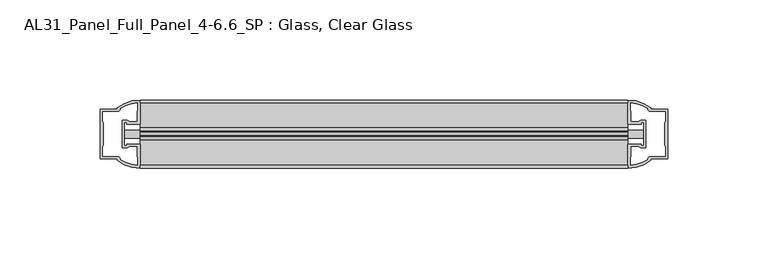
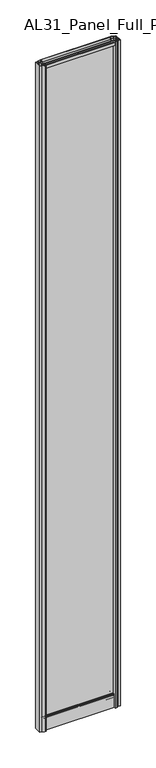
"""IFC4 building model written with IfcOpenShell, lengths in millimetres: plate geometry, AL31_Panel_Full_Panel_4-6.6_SP : Glass, Clear Glass."""

from ifc_helpers import new_model, si_unit, point, frame, frame_2d, origin, origin_with_axes, place, context, project, spatial, polyline, circle_curve, trimmed, segment, composite_curve, outline, extrude, source, transform, mapped, element, save


def al31_panel_full_panel_4_6_6_sp_glass_clear_glass_d49e72f5(model_context):
    return source(origin(), model_context, "Body", "SweptSolid", [
        extrude(outline(composite_curve([segment(polyline([(-1.4, 2468.8980762), (-0.85, 2467.9454483)]), True, "CONTINUOUS"), segment(trimmed(circle_curve(frame_2d((0.1, 2466.3)), 1.9), [point((-0.85, 2467.9454483))], [point((1.05, 2467.9454483))], True, "CARTESIAN"), True, "CONTINUOUS"), segment(polyline([(1.05, 2467.9454483), (1.6, 2468.8980762)]), True, "CONTINUOUS"), segment(trimmed(circle_curve(frame_2d((0.1, 2466.3)), 3.0), [point((1.6, 2468.8980762))], [point((2.5718414, 2464.6))], False, "CARTESIAN"), True, "CONTINUOUS"), segment(polyline([(2.5718414, 2464.6), (15.7, 2464.6), (15.7, 2474.0), (17.0, 2474.0), (17.0, 2463.5), (6.7024688, 2463.5), (6.7024688, 2462.7), (6.1968782, 2460.7785039), (6.1968782, 2456.1), (5.0, 2456.1), (5.0, 2461.4339746), (5.5, 2462.3), (5.5, 2463.5), (-5.5, 2463.5), (-5.5, 2462.3), (-5.0, 2461.4339746), (-5.0, 2456.1), (-6.1968782, 2456.1), (-6.1968782, 2460.7785039), (-6.7024688, 2462.7), (-6.7024688, 2463.5), (-17.0, 2463.5), (-17.0, 2474.0), (-15.7, 2474.0), (-15.7, 2464.6), (-2.3718414, 2464.6)]), True, "CONTINUOUS"), segment(trimmed(circle_curve(frame_2d((0.1, 2466.3)), 3.0), [point((-2.3718414, 2464.6))], [point((-1.4, 2468.8980762))], False, "CARTESIAN"), True, "CONTINUOUS")], self_intersect=False)), frame((-121.9594474, 0.0, 0.0), z_axis=(1.0, 0.0, 0.0), x_axis=(0.0, 1.0, 0.0)), (0.0, 0.0, 1.0), 243.9188947),
        extrude(outline(composite_curve([segment(polyline([(-129.8008687, -5.9), (-128.6008687, -5.9), (-128.6008687, -5.0), (-121.9594474, -5.0), (-121.9594474, -17.0001453)]), True, "CONTINUOUS"), segment(trimmed(circle_curve(frame_2d((-121.5947958, 2.9965302)), 20.0), [point((-121.9594474, -17.0001453))], [point((-133.3152826, -13.2093388))], False, "CARTESIAN"), True, "CONTINUOUS"), segment(polyline([(-133.3152826, -13.2093388), (-133.3152826, -12.3279343), (-141.9594474, -12.3279343), (-141.9594474, 12.3720657), (-133.3152826, 12.3720657), (-133.3152826, 13.2095249)]), True, "CONTINUOUS"), segment(trimmed(circle_curve(frame_2d((-121.5947958, -2.9963441)), 20.0), [point((-133.3152826, 13.2095249))], [point((-121.9594474, 17.0003314))], False, "CARTESIAN"), True, "CONTINUOUS"), segment(polyline([(-121.9594474, 17.0003314), (-121.9594474, 5.0), (-128.6008687, 5.0), (-128.6008687, 5.9), (-129.8008687, 5.9), (-129.8008687, -5.9)]), True, "CONTINUOUS")], self_intersect=False), holes=[composite_curve([segment(trimmed(circle_curve(frame_2d((-128.8008687, 5.7)), 1.5), [point((-128.8008687, 7.2))], [point((-127.4456144, 6.3428731))], False, "CARTESIAN"), True, "CONTINUOUS"), segment(polyline([(-127.4456144, 6.3428731), (-123.7008687, 6.3428731), (-123.7008687, 10.939223), (-123.2615289, 11.9998832), (-123.2615289, 15.6499817)]), True, "CONTINUOUS"), segment(trimmed(circle_curve(frame_2d((-121.5947958, -2.9755921)), 18.7), [point((-123.2615289, 15.6499817))], [point((-131.6015735, 12.8216987))], True, "CARTESIAN"), True, "CONTINUOUS"), segment(trimmed(circle_curve(frame_2d((-133.4008687, 12.8720657)), 1.8), [point((-131.6015735, 12.8216987))], [point((-133.4008687, 11.0720657))], False, "CARTESIAN"), True, "CONTINUOUS"), segment(polyline([(-133.4008687, 11.0720657), (-140.54229, 11.0720657), (-140.54229, 6.5019606), (-140.1008687, 5.439223), (-140.1008687, -5.3950916), (-140.6008687, -6.3879987), (-140.6008687, -11.0279343), (-133.4008687, -11.0279343)]), True, "CONTINUOUS"), segment(trimmed(circle_curve(frame_2d((-133.4008687, -12.8279343)), 1.8), [point((-133.4008687, -11.0279343))], [point((-131.6015735, -12.7775673))], False, "CARTESIAN"), True, "CONTINUOUS"), segment(trimmed(circle_curve(frame_2d((-121.5947958, 3.0197235)), 18.7), [point((-131.6015735, -12.7775673))], [point((-123.2615289, -15.6058503))], True, "CARTESIAN"), True, "CONTINUOUS"), segment(polyline([(-123.2615289, -15.6058503), (-123.2615289, -11.9557518), (-123.7008687, -10.8950916), (-123.7008687, -6.2991308), (-127.425717, -6.2991308)]), True, "CONTINUOUS"), segment(trimmed(circle_curve(frame_2d((-128.8008687, -5.7)), 1.5), [point((-127.425717, -6.2991308))], [point((-128.8008687, -7.2))], False, "CARTESIAN"), True, "CONTINUOUS"), segment(polyline([(-128.8008687, -7.2), (-131.1008687, -7.2), (-131.1008687, 7.2), (-128.8008687, 7.2)]), True, "CONTINUOUS")], self_intersect=False)]), origin_with_axes(), (0.0, 0.0, 1.0), 2474.0),
        extrude(outline(composite_curve([segment(polyline([(129.8008687, 5.9), (128.6008687, 5.9), (128.6008687, 5.0), (121.9594474, 5.0), (121.9594474, 17.0001453)]), True, "CONTINUOUS"), segment(trimmed(circle_curve(frame_2d((121.5947958, -2.9965302)), 20.0), [point((121.9594474, 17.0001453))], [point((133.3152826, 13.2093388))], False, "CARTESIAN"), True, "CONTINUOUS"), segment(polyline([(133.3152826, 13.2093388), (133.3152826, 12.3279343), (141.9594474, 12.3279343), (141.9594474, -12.3720657), (133.3152826, -12.3720657), (133.3152826, -13.2095249)]), True, "CONTINUOUS"), segment(trimmed(circle_curve(frame_2d((121.5947958, 2.9963441)), 20.0), [point((133.3152826, -13.2095249))], [point((121.9594474, -17.0003314))], False, "CARTESIAN"), True, "CONTINUOUS"), segment(polyline([(121.9594474, -17.0003314), (121.9594474, -5.0), (128.6008687, -5.0), (128.6008687, -5.9), (129.8008687, -5.9), (129.8008687, 5.9)]), True, "CONTINUOUS")], self_intersect=False), holes=[composite_curve([segment(trimmed(circle_curve(frame_2d((128.8008687, -5.7)), 1.5), [point((128.8008687, -7.2))], [point((127.4456144, -6.3428731))], False, "CARTESIAN"), True, "CONTINUOUS"), segment(polyline([(127.4456144, -6.3428731), (123.7008687, -6.3428731), (123.7008687, -10.939223), (123.2615289, -11.9998832), (123.2615289, -15.6499817)]), True, "CONTINUOUS"), segment(trimmed(circle_curve(frame_2d((121.5947958, 2.9755921)), 18.7), [point((123.2615289, -15.6499817))], [point((131.6015735, -12.8216987))], True, "CARTESIAN"), True, "CONTINUOUS"), segment(trimmed(circle_curve(frame_2d((133.4008687, -12.8720657)), 1.8), [point((131.6015735, -12.8216987))], [point((133.4008687, -11.0720657))], False, "CARTESIAN"), True, "CONTINUOUS"), segment(polyline([(133.4008687, -11.0720657), (140.54229, -11.0720657), (140.54229, -6.5019606), (140.1008687, -5.439223), (140.1008687, 5.3950916), (140.6008687, 6.3879987), (140.6008687, 11.0279343), (133.4008687, 11.0279343)]), True, "CONTINUOUS"), segment(trimmed(circle_curve(frame_2d((133.4008687, 12.8279343)), 1.8), [point((133.4008687, 11.0279343))], [point((131.6015735, 12.7775673))], False, "CARTESIAN"), True, "CONTINUOUS"), segment(trimmed(circle_curve(frame_2d((121.5947958, -3.0197235)), 18.7), [point((131.6015735, 12.7775673))], [point((123.2615289, 15.6058503))], True, "CARTESIAN"), True, "CONTINUOUS"), segment(polyline([(123.2615289, 15.6058503), (123.2615289, 11.9557518), (123.7008687, 10.8950916), (123.7008687, 6.2991308), (127.425717, 6.2991308)]), True, "CONTINUOUS"), segment(trimmed(circle_curve(frame_2d((128.8008687, 5.7)), 1.5), [point((127.425717, 6.2991308))], [point((128.8008687, 7.2))], False, "CARTESIAN"), True, "CONTINUOUS"), segment(polyline([(128.8008687, 7.2), (131.1008687, 7.2), (131.1008687, -7.2), (128.8008687, -7.2)]), True, "CONTINUOUS")], self_intersect=False)]), origin_with_axes(), (0.0, 0.0, 1.0), 2474.0),
        extrude(outline(composite_curve([segment(trimmed(circle_curve(frame_2d((-8.4, 34.8)), 1.0), [point((-8.4, 35.8))], [point((-9.4, 34.8))], True, "CARTESIAN"), True, "CONTINUOUS"), segment(polyline([(-9.4, 34.8), (-9.4, 33.5), (-5.0000303, 33.5), (-5.0000303, 32.3), (-9.4, 32.3), (-9.4, 0.0), (-10.6, 0.0), (-10.6, 47.3)]), True, "CONTINUOUS"), segment(trimmed(circle_curve(frame_2d((-8.6, 47.3)), 2.0), [point((-10.6, 47.3))], [point((-8.6, 49.3))], False, "CARTESIAN"), True, "CONTINUOUS"), segment(polyline([(-8.6, 49.3), (-5.0, 49.3), (-5.0, 41.9), (5.0, 41.9), (5.0, 49.3), (8.6, 49.3)]), True, "CONTINUOUS"), segment(trimmed(circle_curve(frame_2d((8.6, 47.3)), 2.0), [point((8.6, 49.3))], [point((10.6, 47.3))], False, "CARTESIAN"), True, "CONTINUOUS"), segment(polyline([(10.6, 47.3), (10.6, 0.0), (9.4, 0.0), (9.4, 32.3), (4.9999697, 32.3), (4.9999697, 33.5), (9.4, 33.5), (9.4, 34.8)]), True, "CONTINUOUS"), segment(trimmed(circle_curve(frame_2d((8.4, 34.8)), 1.0), [point((9.4, 34.8))], [point((8.4, 35.8))], True, "CARTESIAN"), True, "CONTINUOUS"), segment(polyline([(8.4, 35.8), (-8.4, 35.8)]), True, "CONTINUOUS")], self_intersect=False), holes=[composite_curve([segment(trimmed(circle_curve(frame_2d((5.5024688, 41.8)), 1.0), [point((6.5024688, 41.8))], [point((5.5024688, 40.8))], False, "CARTESIAN"), True, "CONTINUOUS"), segment(polyline([(5.5024688, 40.8), (2.8008965, 40.8), (2.8008965, 39.7274194), (1.8370508, 39.7274194)]), True, "CONTINUOUS"), segment(trimmed(circle_curve(frame_2d((0.0, 38.7)), 2.1048387), [point((1.8370508, 39.7274194))], [point((-1.8370508, 39.7274194))], True, "CARTESIAN"), True, "CONTINUOUS"), segment(polyline([(-1.8370508, 39.7274194), (-2.8008965, 39.7274194), (-2.8008965, 40.8), (-5.5024688, 40.8)]), True, "CONTINUOUS"), segment(trimmed(circle_curve(frame_2d((-5.5024688, 41.8)), 1.0), [point((-5.5024688, 40.8))], [point((-6.5024688, 41.8))], False, "CARTESIAN"), True, "CONTINUOUS"), segment(polyline([(-6.5024688, 41.8), (-6.5024688, 42.7)]), True, "CONTINUOUS"), segment(trimmed(circle_curve(frame_2d((-5.3024688, 42.7)), 1.2), [point((-6.5024688, 42.7))], [point((-6.1198184, 43.5786009))], False, "CARTESIAN"), True, "CONTINUOUS"), segment(polyline([(-6.1198184, 43.5786009), (-6.1198184, 48.2), (-8.4, 48.2)]), True, "CONTINUOUS"), segment(trimmed(circle_curve(frame_2d((-8.4, 47.2)), 1.0), [point((-8.4, 48.2))], [point((-9.4, 47.2))], True, "CARTESIAN"), True, "CONTINUOUS"), segment(polyline([(-9.4, 47.2), (-9.4, 37.04), (-2.8008965, 37.04), (-2.8008965, 38.0725806), (-1.8370508, 38.0725806)]), True, "CONTINUOUS"), segment(trimmed(circle_curve(frame_2d((0.0, 39.1)), 2.1048387), [point((-1.8370508, 38.0725806))], [point((1.8370508, 38.0725806))], True, "CARTESIAN"), True, "CONTINUOUS"), segment(polyline([(1.8370508, 38.0725806), (2.8008965, 38.0725806), (2.8008965, 37.04), (9.4, 37.04), (9.4, 47.2)]), True, "CONTINUOUS"), segment(trimmed(circle_curve(frame_2d((8.4, 47.2)), 1.0), [point((9.4, 47.2))], [point((8.4, 48.2))], True, "CARTESIAN"), True, "CONTINUOUS"), segment(polyline([(8.4, 48.2), (6.1198184, 48.2), (6.1198184, 43.7786009)]), True, "CONTINUOUS"), segment(trimmed(circle_curve(frame_2d((5.3024688, 42.9)), 1.2), [point((6.1198184, 43.7786009))], [point((6.5024688, 42.9))], False, "CARTESIAN"), True, "CONTINUOUS"), segment(polyline([(6.5024688, 42.9), (6.5024688, 41.8)]), True, "CONTINUOUS")], self_intersect=False)]), frame((-121.9594474, 0.0, 0.0), z_axis=(1.0, 0.0, 0.0), x_axis=(0.0, 1.0, 0.0)), (0.0, 0.0, 1.0), 243.9188947),
        extrude(outline(polyline([(129.8008687, 2.0), (129.8008687, -2.0), (-129.8008687, -2.0), (-129.8008687, 2.0), (129.8008687, 2.0)])), frame((0.0, 0.0, 41.9), z_axis=(0.0, 0.0, 1.0), x_axis=(1.0, 0.0, 0.0)), (0.0, 0.0, 1.0), 2421.6),
    ])


if __name__ == "__main__":
    model = new_model("IFC4")
    model_context = context("Model", 3, world=origin())
    ifc_project = project(units=[si_unit("LENGTHUNIT", "METRE", prefix="MILLI")], contexts=[model_context])
    site = spatial("IfcSite", under=ifc_project)
    building = spatial("IfcBuilding", under=site)
    placement = place(None, origin())
    al31_panel_full_panel_4_6_6_sp_glass_clear_glass_shape = al31_panel_full_panel_4_6_6_sp_glass_clear_glass_d49e72f5(model_context)
    element("IfcPlate", 1, ObjectType="AL31_Panel_Full_Panel_4-6.6_SP : Glass, Clear Glass", at=placement, inside=building, context=model_context, shape_type="MappedRepresentation", body=[
        mapped(al31_panel_full_panel_4_6_6_sp_glass_clear_glass_shape, transform((0.0, 0.0, 0.0), x_axis=(1.0, 0.0, 0.0), y_axis=(0.0, 1.0, 0.0), z_axis=(0.0, 0.0, 1.0))),
    ])
    save(model, "model.ifc")
